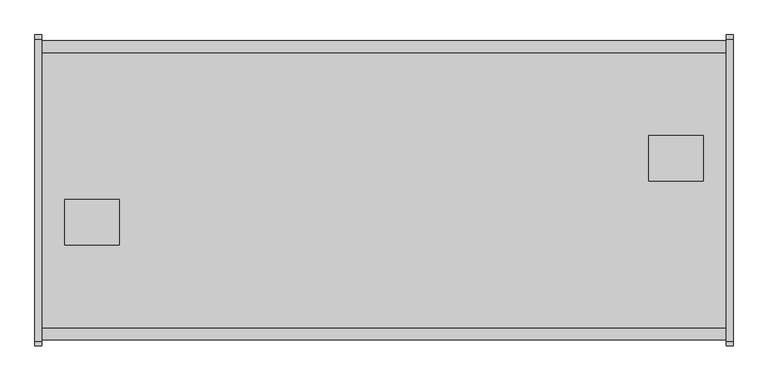
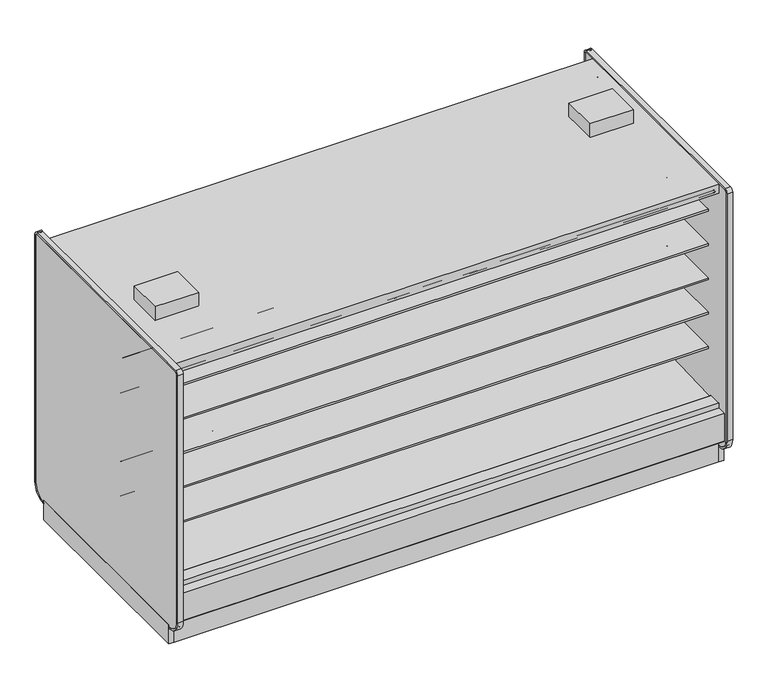
"""IFC4 building model written with IfcOpenShell, lengths in millimetres: proxy geometry."""

from ifc_helpers import new_model, si_unit, point, frame, frame_2d, origin, origin_with_axes, place, context, project, spatial, polyline, circle_curve, trimmed, segment, composite_curve, outline, extrude, source, transform, mapped, element, save
from ifc_brep_helpers import plane_surface, revolved_surface, advanced_brep


def mechanical_equipment_7f536a4f(model_context):
    return source(origin(), model_context, "Body", "SolidModel", [
        extrude(outline(polyline([(0.0, -55.2269619), (0.0, 0.0), (3810.0, 0.0), (3810.0, -55.2269619), (0.0, -55.2269619)])), frame((3810.0, 269.4010876, 1960.5227388), z_axis=(0.0, -0.08121412725315148, 0.9966966767951566), x_axis=(-1.0, 0.0, 0.0)), (0.0, 0.0, 1.0), 9.7968943),
        extrude(outline(polyline([(0.0, -55.226962), (0.0, 0.0), (3810.0, 0.0), (3810.0, -55.226962), (0.0, -55.226962)])), frame((3810.0, -1070.8468716, 1965.0079483), z_axis=(0.0, 0.08121412725315148, 0.9966966767951566), x_axis=(-1.0, 0.0, 0.0)), (0.0, 0.0, 1.0), 9.7968943),
        extrude(outline(polyline([(-1113.7914467, 0.0), (-1132.0256273, 0.0), (-1132.0256273, 208.2950835), (-1113.7914467, 192.9947894), (-1113.7914467, 0.0)])), frame((0.0, 0.0, 0.0), z_axis=(1.0, 0.0, 0.0), x_axis=(0.0, 1.0, 0.0)), (0.0, 0.0, 1.0), 3810.0),
        extrude(outline(polyline([(367.3901921, 0.0), (367.3901921, 192.9947894), (385.6243727, 208.2950835), (385.6243727, 0.0), (367.3901921, 0.0)])), frame((0.0, 0.0, 0.0), z_axis=(1.0, 0.0, 0.0), x_axis=(0.0, 1.0, 0.0)), (0.0, 0.0, 1.0), 3810.0),
        extrude(outline(composite_curve([segment(polyline([(-292.5492106, 1191.008004), (-292.5492106, 1291.8182795), (266.2507894, 1291.8182795), (266.2507894, 1278.3245295), (145.7947875, 1278.3245295), (145.7947875, 1274.0402031), (-193.6128858, 1241.429713)]), True, "CONTINUOUS"), segment(trimmed(circle_curve(frame_2d((-186.7598764, 1178.3005893)), 63.5), [point((-193.6128858, 1241.429713))], [point((-226.8243495, 1227.5660741))], True, "CARTESIAN"), True, "CONTINUOUS"), segment(polyline([(-226.8243495, 1227.5660741), (-265.0460501, 1196.4828055)]), True, "CONTINUOUS"), segment(trimmed(circle_curve(frame_2d((-280.9533727, 1215.8477147)), 25.0607786), [point((-265.0460501, 1196.4828055))], [point((-281.4413184, 1190.7916869))], False, "CARTESIAN"), True, "CONTINUOUS"), segment(polyline([(-281.4413184, 1190.7916869), (-292.5492106, 1191.008004)]), True, "CONTINUOUS")], self_intersect=False)), frame((0.0, 0.0, 0.0), z_axis=(1.0, 0.0, 0.0), x_axis=(0.0, 1.0, 0.0)), (0.0, 0.0, 1.0), 3810.0),
        extrude(outline(composite_curve([segment(polyline([(-292.5492106, 1699.008004), (-292.5492106, 1799.8182795), (266.2507894, 1799.8182795), (266.2507894, 1786.3245295), (145.7947875, 1786.3245295), (145.7947875, 1782.0402031), (-193.6128858, 1749.429713)]), True, "CONTINUOUS"), segment(trimmed(circle_curve(frame_2d((-186.7598764, 1686.3005893)), 63.5), [point((-193.6128858, 1749.429713))], [point((-226.8243495, 1735.5660741))], True, "CARTESIAN"), True, "CONTINUOUS"), segment(polyline([(-226.8243495, 1735.5660741), (-265.0460501, 1704.4828055)]), True, "CONTINUOUS"), segment(trimmed(circle_curve(frame_2d((-280.9533727, 1723.8477147)), 25.0607786), [point((-265.0460501, 1704.4828055))], [point((-281.4413184, 1698.7916869))], False, "CARTESIAN"), True, "CONTINUOUS"), segment(polyline([(-281.4413184, 1698.7916869), (-292.5492106, 1699.008004)]), True, "CONTINUOUS")], self_intersect=False)), frame((0.0, 0.0, 0.0), z_axis=(1.0, 0.0, 0.0), x_axis=(0.0, 1.0, 0.0)), (0.0, 0.0, 1.0), 3810.0),
        extrude(outline(composite_curve([segment(polyline([(-292.5492106, 937.4028663), (-292.5492106, 1038.2131418), (266.2507894, 1038.2131418), (266.2507894, 1024.7193918), (145.7947875, 1024.7193918), (145.7947875, 1020.4350654), (-193.6128858, 987.8245753)]), True, "CONTINUOUS"), segment(trimmed(circle_curve(frame_2d((-186.7598764, 924.6954515)), 63.5), [point((-193.6128858, 987.8245753))], [point((-226.8243495, 973.9609363))], True, "CARTESIAN"), True, "CONTINUOUS"), segment(polyline([(-226.8243495, 973.9609363), (-265.0460501, 942.8776678)]), True, "CONTINUOUS"), segment(trimmed(circle_curve(frame_2d((-280.9533727, 962.242577)), 25.0607786), [point((-265.0460501, 942.8776678))], [point((-281.4413184, 937.1865491))], False, "CARTESIAN"), True, "CONTINUOUS"), segment(polyline([(-281.4413184, 937.1865491), (-292.5492106, 937.4028663)]), True, "CONTINUOUS")], self_intersect=False)), frame((0.0, 0.0, 0.0), z_axis=(1.0, 0.0, 0.0), x_axis=(0.0, 1.0, 0.0)), (0.0, 0.0, 1.0), 3810.0),
        extrude(outline(composite_curve([segment(polyline([(-292.5492106, 1445.008004), (-292.5492106, 1545.8182795), (266.2507894, 1545.8182795), (266.2507894, 1532.3245295), (145.7947875, 1532.3245295), (145.7947875, 1528.0402031), (-193.6128858, 1495.429713)]), True, "CONTINUOUS"), segment(trimmed(circle_curve(frame_2d((-186.7598764, 1432.3005893)), 63.5), [point((-193.6128858, 1495.429713))], [point((-226.8243495, 1481.5660741))], True, "CARTESIAN"), True, "CONTINUOUS"), segment(polyline([(-226.8243495, 1481.5660741), (-265.0460501, 1450.4828055)]), True, "CONTINUOUS"), segment(trimmed(circle_curve(frame_2d((-280.9533727, 1469.8477147)), 25.0607786), [point((-265.0460501, 1450.4828055))], [point((-281.4413184, 1444.7916869))], False, "CARTESIAN"), True, "CONTINUOUS"), segment(polyline([(-281.4413184, 1444.7916869), (-292.5492106, 1445.008004)]), True, "CONTINUOUS")], self_intersect=False)), frame((0.0, 0.0, 0.0), z_axis=(1.0, 0.0, 0.0), x_axis=(0.0, 1.0, 0.0)), (0.0, 0.0, 1.0), 3810.0),
        extrude(outline(composite_curve([segment(polyline([(-292.5492106, 683.008004), (-292.5492106, 783.8182795), (266.2507894, 783.8182795), (266.2507894, 770.3245295), (145.7947875, 770.3245295), (145.7947875, 766.0402031), (-193.6128858, 733.429713)]), True, "CONTINUOUS"), segment(trimmed(circle_curve(frame_2d((-186.7598764, 670.3005893)), 63.5), [point((-193.6128858, 733.429713))], [point((-226.8243495, 719.5660741))], True, "CARTESIAN"), True, "CONTINUOUS"), segment(polyline([(-226.8243495, 719.5660741), (-265.0460501, 688.4828055)]), True, "CONTINUOUS"), segment(trimmed(circle_curve(frame_2d((-280.9533727, 707.8477147)), 25.0607786), [point((-265.0460501, 688.4828055))], [point((-281.4413184, 682.7916869))], False, "CARTESIAN"), True, "CONTINUOUS"), segment(polyline([(-281.4413184, 682.7916869), (-292.5492106, 683.008004)]), True, "CONTINUOUS")], self_intersect=False)), frame((0.0, 0.0, 0.0), z_axis=(1.0, 0.0, 0.0), x_axis=(0.0, 1.0, 0.0)), (0.0, 0.0, 1.0), 3810.0),
        extrude(outline(composite_curve([segment(polyline([(-453.852044, 1191.008004), (-464.9599362, 1190.7916869)]), True, "CONTINUOUS"), segment(trimmed(circle_curve(frame_2d((-465.4478819, 1215.8477147)), 25.0607786), [point((-464.9599362, 1190.7916869))], [point((-481.3552045, 1196.4828055))], False, "CARTESIAN"), True, "CONTINUOUS"), segment(polyline([(-481.3552045, 1196.4828055), (-519.5769051, 1227.5660741)]), True, "CONTINUOUS"), segment(trimmed(circle_curve(frame_2d((-559.6413782, 1178.3005893)), 63.5), [point((-519.5769051, 1227.5660741))], [point((-552.7883688, 1241.429713))], True, "CARTESIAN"), True, "CONTINUOUS"), segment(polyline([(-552.7883688, 1241.429713), (-892.1960421, 1274.0402031), (-892.1960421, 1278.3245295), (-1012.652044, 1278.3245295), (-1012.652044, 1291.8182795), (-453.852044, 1291.8182795), (-453.852044, 1191.008004)]), True, "CONTINUOUS")], self_intersect=False)), frame((0.0, 0.0, 0.0), z_axis=(1.0, 0.0, 0.0), x_axis=(0.0, 1.0, 0.0)), (0.0, 0.0, 1.0), 3810.0),
        extrude(outline(composite_curve([segment(polyline([(-453.852044, 1699.008004), (-464.9599362, 1698.7916869)]), True, "CONTINUOUS"), segment(trimmed(circle_curve(frame_2d((-465.4478819, 1723.8477147)), 25.0607786), [point((-464.9599362, 1698.7916869))], [point((-481.3552045, 1704.4828055))], False, "CARTESIAN"), True, "CONTINUOUS"), segment(polyline([(-481.3552045, 1704.4828055), (-519.5769051, 1735.5660741)]), True, "CONTINUOUS"), segment(trimmed(circle_curve(frame_2d((-559.6413782, 1686.3005893)), 63.5), [point((-519.5769051, 1735.5660741))], [point((-552.7883688, 1749.429713))], True, "CARTESIAN"), True, "CONTINUOUS"), segment(polyline([(-552.7883688, 1749.429713), (-892.1960421, 1782.0402031), (-892.1960421, 1786.3245295), (-1012.652044, 1786.3245295), (-1012.652044, 1799.8182795), (-453.852044, 1799.8182795), (-453.852044, 1699.008004)]), True, "CONTINUOUS")], self_intersect=False)), frame((0.0, 0.0, 0.0), z_axis=(1.0, 0.0, 0.0), x_axis=(0.0, 1.0, 0.0)), (0.0, 0.0, 1.0), 3810.0),
        extrude(outline(composite_curve([segment(polyline([(-453.852044, 937.4028663), (-464.9599362, 937.1865491)]), True, "CONTINUOUS"), segment(trimmed(circle_curve(frame_2d((-465.4478819, 962.242577)), 25.0607786), [point((-464.9599362, 937.1865491))], [point((-481.3552045, 942.8776678))], False, "CARTESIAN"), True, "CONTINUOUS"), segment(polyline([(-481.3552045, 942.8776678), (-519.5769051, 973.9609363)]), True, "CONTINUOUS"), segment(trimmed(circle_curve(frame_2d((-559.6413782, 924.6954515)), 63.5), [point((-519.5769051, 973.9609363))], [point((-552.7883688, 987.8245753))], True, "CARTESIAN"), True, "CONTINUOUS"), segment(polyline([(-552.7883688, 987.8245753), (-892.1960421, 1020.4350654), (-892.1960421, 1024.7193918), (-1012.652044, 1024.7193918), (-1012.652044, 1038.2131418), (-453.852044, 1038.2131418), (-453.852044, 937.4028663)]), True, "CONTINUOUS")], self_intersect=False)), frame((0.0, 0.0, 0.0), z_axis=(1.0, 0.0, 0.0), x_axis=(0.0, 1.0, 0.0)), (0.0, 0.0, 1.0), 3810.0),
        extrude(outline(composite_curve([segment(polyline([(-453.852044, 1445.008004), (-464.9599362, 1444.7916869)]), True, "CONTINUOUS"), segment(trimmed(circle_curve(frame_2d((-465.4478819, 1469.8477147)), 25.0607786), [point((-464.9599362, 1444.7916869))], [point((-481.3552045, 1450.4828055))], False, "CARTESIAN"), True, "CONTINUOUS"), segment(polyline([(-481.3552045, 1450.4828055), (-519.5769051, 1481.5660741)]), True, "CONTINUOUS"), segment(trimmed(circle_curve(frame_2d((-559.6413782, 1432.3005893)), 63.5), [point((-519.5769051, 1481.5660741))], [point((-552.7883688, 1495.429713))], True, "CARTESIAN"), True, "CONTINUOUS"), segment(polyline([(-552.7883688, 1495.429713), (-892.1960421, 1528.0402031), (-892.1960421, 1532.3245295), (-1012.652044, 1532.3245295), (-1012.652044, 1545.8182795), (-453.852044, 1545.8182795), (-453.852044, 1445.008004)]), True, "CONTINUOUS")], self_intersect=False)), frame((0.0, 0.0, 0.0), z_axis=(1.0, 0.0, 0.0), x_axis=(0.0, 1.0, 0.0)), (0.0, 0.0, 1.0), 3810.0),
        extrude(outline(polyline([(127.0, -678.0076294), (127.0, -424.0076294), (431.8, -424.0076294), (431.8, -678.0076294), (127.0, -678.0076294)])), frame((0.0, 0.0, 2064.6129579), z_axis=(0.0, 0.0, 1.0), x_axis=(1.0, 0.0, 0.0)), (0.0, 0.0, 1.0), 100.3101563),
        extrude(outline(polyline([(3683.0, -68.4076294), (3683.0, -322.4076294), (3378.2, -322.4076294), (3378.2, -68.4076294), (3683.0, -68.4076294)])), frame((0.0, 0.0, 2064.6129579), z_axis=(0.0, 0.0, 1.0), x_axis=(1.0, 0.0, 0.0)), (0.0, 0.0, 1.0), 100.3101563),
        extrude(outline(composite_curve([segment(polyline([(-113.5046773, 1969.4201079), (-292.5492106, 1969.4201079), (-292.5492106, 445.9092331), (-344.0537782, 445.9092331), (-344.0537782, 1994.8201079), (357.6691327, 1994.8201079), (357.6691327, 1988.6654182)]), True, "CONTINUOUS"), segment(trimmed(circle_curve(frame_2d((355.1291327, 1988.6654182)), 2.54), [point((357.6691327, 1988.6654182))], [point((355.1291327, 1986.1254182))], False, "CARTESIAN"), True, "CONTINUOUS"), segment(polyline([(355.1291327, 1986.1254182), (341.1591327, 1986.1254182)]), True, "CONTINUOUS"), segment(trimmed(circle_curve(frame_2d((341.1591327, 1983.5854182)), 2.54), [point((341.1591327, 1986.1254182))], [point((338.6191327, 1983.5854182))], True, "CARTESIAN"), True, "CONTINUOUS"), segment(polyline([(338.6191327, 1983.5854182), (338.6191327, 1967.9723079)]), True, "CONTINUOUS"), segment(trimmed(circle_curve(frame_2d((336.0791327, 1967.9723079)), 2.54), [point((338.6191327, 1967.9723079))], [point((336.0791327, 1965.4323079))], False, "CARTESIAN"), True, "CONTINUOUS"), segment(polyline([(336.0791327, 1965.4323079), (326.8589327, 1965.4323079)]), True, "CONTINUOUS"), segment(trimmed(circle_curve(frame_2d((326.8589327, 1967.9723079)), 2.54), [point((326.8589327, 1965.4323079))], [point((324.3189327, 1967.9723079))], False, "CARTESIAN"), True, "CONTINUOUS"), segment(polyline([(324.3189327, 1967.9723079), (324.3189327, 1975.6233702), (268.3517007, 1971.0629758), (268.3793925, 1969.4201079), (-113.5046773, 1969.4201079)]), True, "CONTINUOUS")], self_intersect=False)), frame((0.0, 0.0, 0.0), z_axis=(1.0, 0.0, 0.0), x_axis=(0.0, 1.0, 0.0)), (0.0, 0.0, 1.0), 3810.0),
        extrude(outline(composite_curve([segment(polyline([(-292.5492106, 445.9092331), (298.0007894, 423.8521774), (298.0007894, 439.1279)]), True, "CONTINUOUS"), segment(trimmed(circle_curve(frame_2d((300.0581894, 439.1279)), 2.0574), [point((298.0007894, 439.1279))], [point((300.0581894, 441.1853))], False, "CARTESIAN"), True, "CONTINUOUS"), segment(polyline([(300.0581894, 441.1853), (392.3576928, 441.1853), (392.3576928, 284.6079278), (278.9642261, 189.4595117), (263.4186894, 190.0023738), (218.0664947, 157.1934642), (153.5641842, 159.4459345), (113.4809582, 192.9404113), (-344.0537782, 220.4377575), (-344.0537782, 445.9092331), (-292.5492106, 445.9092331)]), True, "CONTINUOUS")], self_intersect=False)), frame((0.0, 0.0, 0.0), z_axis=(1.0, 0.0, 0.0), x_axis=(0.0, 1.0, 0.0)), (0.0, 0.0, 1.0), 3810.0),
        extrude(outline(composite_curve([segment(polyline([(-453.852044, 683.008004), (-464.9599362, 682.7916869)]), True, "CONTINUOUS"), segment(trimmed(circle_curve(frame_2d((-465.4478819, 707.8477147)), 25.0607786), [point((-464.9599362, 682.7916869))], [point((-481.3552045, 688.4828055))], False, "CARTESIAN"), True, "CONTINUOUS"), segment(polyline([(-481.3552045, 688.4828055), (-519.5769051, 719.5660741)]), True, "CONTINUOUS"), segment(trimmed(circle_curve(frame_2d((-559.6413782, 670.3005893)), 63.5), [point((-519.5769051, 719.5660741))], [point((-552.7883688, 733.429713))], True, "CARTESIAN"), True, "CONTINUOUS"), segment(polyline([(-552.7883688, 733.429713), (-892.1960421, 766.0402031), (-892.1960421, 770.3245295), (-1012.652044, 770.3245295), (-1012.652044, 783.8182795), (-453.852044, 783.8182795), (-453.852044, 683.008004)]), True, "CONTINUOUS")], self_intersect=False)), frame((0.0, 0.0, 0.0), z_axis=(1.0, 0.0, 0.0), x_axis=(0.0, 1.0, 0.0)), (0.0, 0.0, 1.0), 3810.0),
        extrude(outline(composite_curve([segment(trimmed(circle_curve(frame_2d((-1200.2881273, 201.3982889)), 6.35), [point((-1197.1139382, 195.8985595))], [point((-1206.6381273, 201.3982889))], False, "CARTESIAN"), True, "CONTINUOUS"), segment(polyline([(-1206.6381273, 201.3982889), (-1206.6381273, 404.6728), (-1138.7589474, 404.6728), (-1138.7589474, 391.9982), (-1189.8487273, 391.9982), (-1189.8487273, 256.8144254), (-1149.7974725, 223.2074323), (-1197.1139382, 195.8985595)]), True, "CONTINUOUS")], self_intersect=False)), frame((0.0, 0.0, 0.0), z_axis=(1.0, 0.0, 0.0), x_axis=(0.0, 1.0, 0.0)), (0.0, 0.0, 1.0), 3810.0),
        extrude(outline(composite_curve([segment(polyline([(450.7126836, 195.8985595), (403.3962179, 223.2074323), (443.4474727, 256.8144254), (443.4474727, 391.9982), (392.3576928, 391.9982), (392.3576928, 404.6728), (460.2368727, 404.6728), (460.2368727, 201.3982889)]), True, "CONTINUOUS"), segment(trimmed(circle_curve(frame_2d((453.8868727, 201.3982889)), 6.35), [point((460.2368727, 201.3982889))], [point((450.7126836, 195.8985595))], False, "CARTESIAN"), True, "CONTINUOUS")], self_intersect=False)), frame((0.0, 0.0, 0.0), z_axis=(1.0, 0.0, 0.0), x_axis=(0.0, 1.0, 0.0)), (0.0, 0.0, 1.0), 3810.0),
        extrude(outline(polyline([(-1039.3495247, 130.5306), (-1189.8487273, 256.8144254), (-1189.8487273, 391.9982), (-1138.7589474, 391.9982), (-1138.7589474, 284.6079278), (-1025.3654807, 189.4595117), (-1009.819944, 190.0023738), (-964.4677493, 157.1934642), (-899.9654388, 159.4459345), (-859.8822128, 192.9404113), (-402.3474764, 220.4377575), (-402.3474764, 1994.8201079), (-1138.7589474, 1994.8201079), (-1138.7589474, 2063.8192079), (392.3576928, 2063.8192079), (392.3576928, 1994.8201079), (-344.0537782, 1994.8201079), (-344.0537782, 220.4377575), (113.4809582, 192.9404113), (153.5641842, 159.4459345), (218.0664947, 157.1934642), (263.4186894, 190.0023738), (278.9642261, 189.4595117), (392.3576928, 284.6079278), (392.3576928, 391.9982), (443.4474727, 391.9982), (443.4474727, 256.8144254), (292.9482701, 130.5306), (-1039.3495247, 130.5306)])), frame((0.0, 0.0, 0.0), z_axis=(1.0, 0.0, 0.0), x_axis=(0.0, 1.0, 0.0)), (0.0, 0.0, 1.0), 3810.0),
        extrude(outline(composite_curve([segment(polyline([(-632.8965773, 1969.4201079), (-1014.7806471, 1969.4201079), (-1014.7529553, 1971.0629758), (-1070.7201873, 1975.6233702), (-1070.7201873, 1967.9723079)]), True, "CONTINUOUS"), segment(trimmed(circle_curve(frame_2d((-1073.2601873, 1967.9723079)), 2.54), [point((-1070.7201873, 1967.9723079))], [point((-1073.2601873, 1965.4323079))], False, "CARTESIAN"), True, "CONTINUOUS"), segment(polyline([(-1073.2601873, 1965.4323079), (-1082.4803873, 1965.4323079)]), True, "CONTINUOUS"), segment(trimmed(circle_curve(frame_2d((-1082.4803873, 1967.9723079)), 2.54), [point((-1082.4803873, 1965.4323079))], [point((-1085.0203873, 1967.9723079))], False, "CARTESIAN"), True, "CONTINUOUS"), segment(polyline([(-1085.0203873, 1967.9723079), (-1085.0203873, 1983.3544856)]), True, "CONTINUOUS"), segment(trimmed(circle_curve(frame_2d((-1087.5603873, 1983.3544856)), 2.54), [point((-1085.0203873, 1983.3544856))], [point((-1087.5603873, 1985.8944856))], True, "CARTESIAN"), True, "CONTINUOUS"), segment(polyline([(-1087.5603873, 1985.8944856), (-1101.5303873, 1985.8944856)]), True, "CONTINUOUS"), segment(trimmed(circle_curve(frame_2d((-1101.5303873, 1988.4344856)), 2.54), [point((-1101.5303873, 1985.8944856))], [point((-1104.0703873, 1988.4344856))], False, "CARTESIAN"), True, "CONTINUOUS"), segment(polyline([(-1104.0703873, 1988.4344856), (-1104.0703873, 1994.8201079), (-402.3474764, 1994.8201079), (-402.3474764, 445.9092331), (-453.852044, 445.9092331), (-453.852044, 1969.4201079), (-632.8965773, 1969.4201079)]), True, "CONTINUOUS")], self_intersect=False)), frame((0.0, 0.0, 0.0), z_axis=(1.0, 0.0, 0.0), x_axis=(0.0, 1.0, 0.0)), (0.0, 0.0, 1.0), 3810.0),
        advanced_brep(
        [(3810.0, -1113.7914467, 192.9947894), (3810.0, -1113.7914467, 0.0), (3810.0, -967.2684832, 0.0), (3810.0, -967.2684832, 130.5306), (3810.0, -1039.3495247, 130.5306), (0.0, -1113.7914467, 192.9947894), (0.0, -1039.3495247, 130.5306), (0.0, -967.2684832, 130.5306), (0.0, -967.2684832, 0.0), (0.0, -1113.7914467, 0.0), (245.6409893, -1113.7914467, 0.0), (245.6409893, -1113.7914467, 50.8), (466.3154811, -1113.7914467, 50.8), (466.3154811, -1113.7914467, 0.0), (466.3154811, -1038.8597182, 0.0), (245.6409893, -1038.8597182, 0.0), (1864.6679654, -967.2684832, 0.0), (1945.3320346, -967.2684832, 0.0), (3546.7614416, -967.2684832, 0.0), (3631.9135584, -967.2684832, 0.0), (3631.9135584, -967.2684832, 127.0), (3546.7614416, -967.2684832, 127.0), (1945.3320346, -967.2684832, 127.0), (1864.6679654, -967.2684832, 127.0), (466.3154811, -1038.8597182, 50.8), (245.6409893, -1038.8597182, 50.8)],
        [
            (0, 1),
            (1, 2),
            (2, 3),
            (3, 4),
            (4, 0),
            (5, 6),
            (6, 7),
            (7, 8),
            (8, 9),
            (9, 5),
            (0, 5),
            (9, 10),
            (10, 11),
            (11, 12),
            (12, 13),
            (13, 1),
            (13, 14),
            (14, 15),
            (15, 10),
            (8, 16),
            (16, 17, circle_curve(frame((1905.0, -936.3821273, 0.0), z_axis=(0.0, 0.0, 1.0), x_axis=(1.0, 0.0, 0.0)), 50.8)),
            (17, 18),
            (18, 19, circle_curve(frame((3589.3375, -939.5571273, 0.0), z_axis=(0.0, 0.0, 1.0), x_axis=(1.0, 0.0, 0.0)), 50.8)),
            (19, 2),
            (19, 20),
            (20, 21),
            (21, 18),
            (17, 22),
            (22, 23),
            (23, 16),
            (7, 3),
            (6, 4),
            (12, 24),
            (24, 14),
            (15, 25),
            (25, 11),
            (24, 25),
            (22, 23, circle_curve(frame((1905.0, -936.3821273, 127.0), z_axis=(0.0, 0.0, -1.0), x_axis=(1.0, 0.0, 0.0)), 50.8)),
            (20, 21, circle_curve(frame((3589.3375, -939.5571273, 127.0), z_axis=(0.0, 0.0, -1.0), x_axis=(1.0, 0.0, 0.0)), 50.8)),
        ],
        [
            plane_surface(frame((3810.0, -1113.7914467, 0.0), z_axis=(1.0, 0.0, 0.0), x_axis=(0.0, 0.0, -1.0))),
            plane_surface(frame((0.0, -1113.7914467, 0.0), z_axis=(-1.0, 0.0, 0.0), x_axis=(0.0, 0.0, 1.0))),
            plane_surface(frame((3810.0, -1113.7914467, 192.9947894), z_axis=(0.0, -1.0, 0.0), x_axis=(-1.0, 0.0, 0.0))),
            plane_surface(frame((3810.0, -1113.7914467, 0.0), z_axis=(0.0, 0.0, -1.0), x_axis=(-1.0, 0.0, 0.0))),
            plane_surface(frame((3810.0, -967.2684832, 0.0), z_axis=(0.0, 1.0, 0.0), x_axis=(-1.0, 0.0, 0.0))),
            plane_surface(frame((3810.0, -967.2684832, 130.5306), z_axis=(0.0, 0.0, 1.0), x_axis=(-1.0, 0.0, 0.0))),
            plane_surface(frame((3810.0, -1039.3495247, 130.5306), z_axis=(0.0, 0.6427876096877102, 0.7660444431179956), x_axis=(-1.0, 0.0, 0.0))),
            plane_surface(frame((466.3154811, -1038.8597182, 0.0), z_axis=(-1.0, 0.0, 0.0), x_axis=(0.0, 1.0, 0.0))),
            plane_surface(frame((245.6409893, -1038.8597182, 0.0), z_axis=(1.0, 0.0, 0.0), x_axis=(0.0, -1.0, 0.0))),
            plane_surface(frame((466.3154811, -1038.8597182, 0.0), z_axis=(0.0, -1.0, 0.0), x_axis=(-1.0, 0.0, 0.0))),
            plane_surface(frame((466.3154811, -1038.8597182, 50.8), z_axis=(0.0, 0.0, -1.0), x_axis=(-1.0, 0.0, 0.0))),
            plane_surface(frame((1955.8, -936.3821273, 127.0), z_axis=(0.0, 0.0, -1.0), x_axis=(0.0, 1.0, 0.0))),
            revolved_surface(polyline([(1955.8, -936.3821273, 127.0), (1955.8, -936.3821273, 0.0)]), (1905.0, -936.3821273, 0.0), (0.0, 0.0, 1.0)),
            plane_surface(frame((3640.1375, -939.5571273, 127.0), z_axis=(0.0, 0.0, -1.0), x_axis=(0.0, 1.0, 0.0))),
            revolved_surface(polyline([(3640.1375000000003, -939.5571273, 127.0), (3640.1375000000003, -939.5571273, 0.0)]), (3589.3375, -939.5571273, 0.0), (0.0, 0.0, 1.0)),
        ],
        [
            (0, [[1, 2, 3, 4, 5]]),
            (1, [[6, 7, 8, 9, 10]]),
            (2, [[-1, 11, -10, 12, 13, 14, 15, 16]]),
            (3, [[-2, -16, 17, 18, 19, -12, -9, 20, 21, 22, 23, 24]]),
            (4, [[-3, -24, 25, 26, 27, -22, 28, 29, 30, -20, -8, 31]]),
            (5, [[-4, -31, -7, 32]]),
            (6, [[-5, -32, -6, -11]]),
            (7, [[33, 34, -17, -15]]),
            (8, [[35, 36, -13, -19]]),
            (9, [[-34, 37, -35, -18]]),
            (10, [[-33, -14, -36, -37]]),
            (11, [[38, -29]]),
            (12, [[-38, -28, -21, -30]]),
            (13, [[39, -26]]),
            (14, [[-39, -25, -23, -27]]),
        ],
    ),
        advanced_brep(
        [(3810.0, 367.3901921, 192.9947894), (3810.0, 292.9482701, 130.5306), (3810.0, 220.8672286, 130.5306), (3810.0, 220.8672286, 0.0), (3810.0, 367.3901921, 0.0), (0.0, 367.3901921, 192.9947894), (0.0, 367.3901921, 0.0), (0.0, 220.8672286, 0.0), (0.0, 220.8672286, 130.5306), (0.0, 292.9482701, 130.5306), (2421.3590107, 367.3901921, 50.8), (2421.3590107, 292.4584636, 50.8), (2200.6845189, 292.4584636, 50.8), (2200.6845189, 367.3901921, 50.8), (2200.6845189, 292.4584636, 0.0), (2200.6845189, 367.3901921, 0.0), (2421.3590107, 292.4584636, 0.0), (2421.3590107, 367.3901921, 0.0), (178.0864416, 220.8672286, 127.0), (263.2385584, 220.8672286, 127.0), (178.0864416, 220.8672286, 0.0), (263.2385584, 220.8672286, 0.0), (1864.6679654, 220.8672286, 127.0), (1945.3320346, 220.8672286, 127.0), (1864.6679654, 220.8672286, 0.0), (1945.3320346, 220.8672286, 0.0)],
        [
            (0, 1),
            (1, 2),
            (2, 3),
            (3, 4),
            (4, 0),
            (5, 6),
            (6, 7),
            (7, 8),
            (8, 9),
            (9, 5),
            (10, 11),
            (11, 12),
            (12, 13),
            (13, 10),
            (12, 14),
            (14, 15),
            (15, 13),
            (11, 16),
            (16, 14),
            (10, 17),
            (17, 16),
            (18, 19, circle_curve(frame((220.6625, 193.1558727, 127.0), z_axis=(0.0, 0.0, -1.0), x_axis=(-1.0, 0.0, 0.0)), 50.8)),
            (19, 18),
            (18, 20),
            (20, 21, circle_curve(frame((220.6625, 193.1558727, 0.0), z_axis=(0.0, 0.0, -1.0), x_axis=(-1.0, 0.0, 0.0)), 50.8)),
            (21, 19),
            (22, 23, circle_curve(frame((1905.0, 189.9808727, 127.0), z_axis=(0.0, 0.0, -1.0), x_axis=(1.0, 0.0, 0.0)), 50.8)),
            (23, 22),
            (22, 24),
            (24, 25, circle_curve(frame((1905.0, 189.9808727, 0.0), z_axis=(0.0, 0.0, -1.0), x_axis=(1.0, 0.0, 0.0)), 50.8)),
            (25, 23),
            (0, 5),
            (9, 1),
            (8, 2),
            (7, 20),
            (21, 24),
            (25, 3),
            (6, 15),
            (17, 4),
        ],
        [
            plane_surface(frame((3810.0, -1113.7914467, 0.0), z_axis=(1.0, 0.0, 0.0), x_axis=(0.0, 0.0, -1.0))),
            plane_surface(frame((0.0, -1113.7914467, 0.0), z_axis=(-1.0, 0.0, 0.0), x_axis=(0.0, 0.0, 1.0))),
            plane_surface(frame((2200.6845189, 367.3901921, 50.8), z_axis=(0.0, 0.0, -1.0), x_axis=(0.0, -1.0, 0.0))),
            plane_surface(frame((2200.6845189, 367.3901921, 50.8), z_axis=(1.0, 0.0, 0.0), x_axis=(0.0, 0.0, -1.0))),
            plane_surface(frame((2200.6845189, 292.4584636, 50.8), z_axis=(0.0, 1.0, 0.0), x_axis=(0.0, 0.0, -1.0))),
            plane_surface(frame((2421.3590107, 292.4584636, 50.8), z_axis=(-1.0, 0.0, 0.0), x_axis=(0.0, 0.0, -1.0))),
            plane_surface(frame((169.8625, 193.1558727, 127.0), z_axis=(0.0, 0.0, -1.0), x_axis=(0.0, -1.0, 0.0))),
            revolved_surface(polyline([(169.8625, 193.1558727, 127.0), (169.8625, 193.1558727, 0.0)]), (220.6625, 193.1558727, 0.0), (0.0, 0.0, 1.0)),
            plane_surface(frame((1955.8, 189.9808727, 127.0), z_axis=(0.0, 0.0, -1.0), x_axis=(0.0, 1.0, 0.0))),
            revolved_surface(polyline([(1955.8, 189.9808727, 127.0), (1955.8, 189.9808727, 0.0)]), (1905.0, 189.9808727, 0.0), (0.0, 0.0, 1.0)),
            plane_surface(frame((3810.0, 367.3901921, 192.9947894), z_axis=(0.0, -0.6427876096877103, 0.7660444431179955), x_axis=(-1.0, 0.0, 0.0))),
            plane_surface(frame((3810.0, 292.9482701, 130.5306), z_axis=(0.0, 0.0, 1.0), x_axis=(-1.0, 0.0, 0.0))),
            plane_surface(frame((3810.0, 220.8672286, 130.5306), z_axis=(0.0, -1.0, 0.0), x_axis=(-1.0, 0.0, 0.0))),
            plane_surface(frame((3810.0, 220.8672286, 0.0), z_axis=(0.0, 0.0, -1.0), x_axis=(-1.0, 0.0, 0.0))),
            plane_surface(frame((3810.0, 367.3901921, 0.0), z_axis=(0.0, 1.0, 0.0), x_axis=(-1.0, 0.0, 0.0))),
        ],
        [
            (0, [[1, 2, 3, 4, 5]]),
            (1, [[6, 7, 8, 9, 10]]),
            (2, [[11, 12, 13, 14]]),
            (3, [[-13, 15, 16, 17]]),
            (4, [[-12, 18, 19, -15]]),
            (5, [[-11, 20, 21, -18]]),
            (6, [[22, 23]]),
            (7, [[-22, 24, 25, 26]]),
            (8, [[27, 28]]),
            (9, [[-27, 29, 30, 31]]),
            (10, [[-1, 32, -10, 33]]),
            (11, [[-2, -33, -9, 34]]),
            (12, [[-3, -34, -8, 35, -24, -23, -26, 36, -29, -28, -31, 37]]),
            (13, [[-4, -37, -30, -36, -25, -35, -7, 38, -16, -19, -21, 39]]),
            (14, [[-5, -39, -20, -14, -17, -38, -6, -32]]),
        ],
    ),
        advanced_brep(
        [(3810.0, -967.2684832, 0.0), (3810.0, -921.3326273, 0.0), (3810.0, -921.3326273, 74.8810382), (3810.0, 174.9313727, 74.8810382), (3810.0, 174.9313727, 0.0), (3810.0, 220.8672286, 0.0), (3810.0, 220.8672286, 130.5306), (3810.0, -967.2684832, 130.5306), (0.0, -967.2684832, 0.0), (0.0, -967.2684832, 130.5306), (0.0, 220.8672286, 130.5306), (0.0, 220.8672286, 0.0), (0.0, 174.9313727, 0.0), (0.0, 174.9313727, 74.8810382), (0.0, -921.3326273, 74.8810382), (0.0, -921.3326273, 0.0), (1864.6679654, -967.2684832, 0.0), (1864.6679654, -967.2684832, 127.0), (1945.3320346, -967.2684832, 127.0), (1945.3320346, -967.2684832, 0.0), (3546.7614416, -967.2684832, 0.0), (3546.7614416, -967.2684832, 127.0), (3631.9135584, -967.2684832, 127.0), (3631.9135584, -967.2684832, 0.0), (3640.1375, -939.5571273, 0.0), (3636.755931, -921.3326273, 0.0), (1856.48039, -921.3326273, 0.0), (1854.2, -936.3821273, 0.0), (1955.8, -936.3821273, 0.0), (1953.51961, -921.3326273, 0.0), (3541.919069, -921.3326273, 0.0), (3538.5375, -939.5571273, 0.0), (3636.755931, -921.3326273, 74.8810382), (1856.48039, -921.3326273, 74.8810382), (1953.51961, -921.3326273, 74.8810382), (3541.919069, -921.3326273, 74.8810382), (173.244069, 174.9313727, 74.8810382), (268.080931, 174.9313727, 74.8810382), (1856.48039, 174.9313727, 74.8810382), (1953.51961, 174.9313727, 74.8810382), (1854.2, -936.3821273, 127.0), (1955.8, -936.3821273, 127.0), (3538.5375, -939.5571273, 127.0), (3640.1375, -939.5571273, 127.0), (1953.51961, 174.9313727, 0.0), (173.244069, 174.9313727, 0.0), (268.080931, 174.9313727, 0.0), (1856.48039, 174.9313727, 0.0), (1955.8, 189.9808727, 0.0), (1945.3320346, 220.8672286, 0.0), (178.0864416, 220.8672286, 0.0), (169.8625, 193.1558727, 0.0), (271.4625, 193.1558727, 0.0), (263.2385584, 220.8672286, 0.0), (1864.6679654, 220.8672286, 0.0), (1854.2, 189.9808727, 0.0), (1945.3320346, 220.8672286, 127.0), (1864.6679654, 220.8672286, 127.0), (263.2385584, 220.8672286, 127.0), (178.0864416, 220.8672286, 127.0), (271.4625, 193.1558727, 127.0), (169.8625, 193.1558727, 127.0), (1955.8, 189.9808727, 127.0), (1854.2, 189.9808727, 127.0)],
        [
            (0, 1),
            (1, 2),
            (2, 3),
            (3, 4),
            (4, 5),
            (5, 6),
            (6, 7),
            (7, 0),
            (8, 9),
            (9, 10),
            (10, 11),
            (11, 12),
            (12, 13),
            (13, 14),
            (14, 15),
            (15, 8),
            (6, 10),
            (9, 7),
            (8, 16),
            (16, 17),
            (17, 18),
            (18, 19),
            (19, 20),
            (20, 21),
            (21, 22),
            (22, 23),
            (23, 0),
            (23, 24, circle_curve(frame((3589.3375, -939.5571273, 0.0), z_axis=(0.0, 0.0, 1.0), x_axis=(1.0, 0.0, 0.0)), 50.8)),
            (24, 25, circle_curve(frame((3589.3375, -939.5571273, 0.0), z_axis=(0.0, 0.0, 1.0), x_axis=(1.0, 0.0, 0.0)), 50.8)),
            (25, 1),
            (15, 26),
            (26, 27, circle_curve(frame((1905.0, -936.3821273, 0.0), z_axis=(0.0, 0.0, 1.0), x_axis=(1.0, 0.0, 0.0)), 50.8)),
            (27, 16, circle_curve(frame((1905.0, -936.3821273, 0.0), z_axis=(0.0, 0.0, 1.0), x_axis=(1.0, 0.0, 0.0)), 50.8)),
            (19, 28, circle_curve(frame((1905.0, -936.3821273, 0.0), z_axis=(0.0, 0.0, 1.0), x_axis=(1.0, 0.0, 0.0)), 50.8)),
            (28, 29, circle_curve(frame((1905.0, -936.3821273, 0.0), z_axis=(0.0, 0.0, 1.0), x_axis=(1.0, 0.0, 0.0)), 50.8)),
            (29, 30),
            (30, 31, circle_curve(frame((3589.3375, -939.5571273, 0.0), z_axis=(0.0, 0.0, 1.0), x_axis=(1.0, 0.0, 0.0)), 50.8)),
            (31, 20, circle_curve(frame((3589.3375, -939.5571273, 0.0), z_axis=(0.0, 0.0, 1.0), x_axis=(1.0, 0.0, 0.0)), 50.8)),
            (25, 32),
            (32, 2),
            (14, 33),
            (33, 26),
            (29, 34),
            (34, 35),
            (35, 30),
            (32, 35, circle_curve(frame((3589.3375, -939.5571273, 74.8810382), z_axis=(0.0, 0.0, 1.0), x_axis=(1.0, 0.0, 0.0)), 50.8)),
            (34, 33, circle_curve(frame((1905.0, -936.3821273, 74.8810382), z_axis=(0.0, 0.0, 1.0), x_axis=(1.0, 0.0, 0.0)), 50.8)),
            (13, 36),
            (36, 37, circle_curve(frame((220.6625, 193.1558727, 74.8810382), z_axis=(0.0, 0.0, 1.0), x_axis=(-1.0, 0.0, 0.0)), 50.8)),
            (37, 38),
            (38, 39, circle_curve(frame((1905.0, 189.9808727, 74.8810382), z_axis=(0.0, 0.0, 1.0), x_axis=(1.0, 0.0, 0.0)), 50.8)),
            (39, 3),
            (40, 41, circle_curve(frame((1905.0, -936.3821273, 127.0), z_axis=(0.0, 0.0, -1.0), x_axis=(1.0, 0.0, 0.0)), 50.8)),
            (41, 18, circle_curve(frame((1905.0, -936.3821273, 127.0), z_axis=(0.0, 0.0, -1.0), x_axis=(1.0, 0.0, 0.0)), 50.8)),
            (17, 40, circle_curve(frame((1905.0, -936.3821273, 127.0), z_axis=(0.0, 0.0, -1.0), x_axis=(1.0, 0.0, 0.0)), 50.8)),
            (41, 28),
            (27, 40),
            (42, 43, circle_curve(frame((3589.3375, -939.5571273, 127.0), z_axis=(0.0, 0.0, -1.0), x_axis=(1.0, 0.0, 0.0)), 50.8)),
            (43, 22, circle_curve(frame((3589.3375, -939.5571273, 127.0), z_axis=(0.0, 0.0, -1.0), x_axis=(1.0, 0.0, 0.0)), 50.8)),
            (21, 42, circle_curve(frame((3589.3375, -939.5571273, 127.0), z_axis=(0.0, 0.0, -1.0), x_axis=(1.0, 0.0, 0.0)), 50.8)),
            (43, 24),
            (31, 42),
            (39, 44),
            (44, 4),
            (12, 45),
            (45, 36),
            (37, 46),
            (46, 47),
            (47, 38),
            (44, 48, circle_curve(frame((1905.0, 189.9808727, 0.0), z_axis=(0.0, 0.0, 1.0), x_axis=(1.0, 0.0, 0.0)), 50.8)),
            (48, 49, circle_curve(frame((1905.0, 189.9808727, 0.0), z_axis=(0.0, 0.0, 1.0), x_axis=(1.0, 0.0, 0.0)), 50.8)),
            (49, 5),
            (11, 50),
            (50, 51, circle_curve(frame((220.6625, 193.1558727, 0.0), z_axis=(0.0, 0.0, 1.0), x_axis=(-1.0, 0.0, 0.0)), 50.8)),
            (51, 45, circle_curve(frame((220.6625, 193.1558727, 0.0), z_axis=(0.0, 0.0, 1.0), x_axis=(-1.0, 0.0, 0.0)), 50.8)),
            (52, 53, circle_curve(frame((220.6625, 193.1558727, 0.0), z_axis=(0.0, 0.0, 1.0), x_axis=(-1.0, 0.0, 0.0)), 50.8)),
            (53, 54),
            (54, 55, circle_curve(frame((1905.0, 189.9808727, 0.0), z_axis=(0.0, 0.0, 1.0), x_axis=(1.0, 0.0, 0.0)), 50.8)),
            (55, 47, circle_curve(frame((1905.0, 189.9808727, 0.0), z_axis=(0.0, 0.0, 1.0), x_axis=(1.0, 0.0, 0.0)), 50.8)),
            (46, 52, circle_curve(frame((220.6625, 193.1558727, 0.0), z_axis=(0.0, 0.0, 1.0), x_axis=(-1.0, 0.0, 0.0)), 50.8)),
            (49, 56),
            (56, 57),
            (57, 54),
            (53, 58),
            (58, 59),
            (59, 50),
            (60, 61, circle_curve(frame((220.6625, 193.1558727, 127.0), z_axis=(0.0, 0.0, -1.0), x_axis=(-1.0, 0.0, 0.0)), 50.8)),
            (61, 59, circle_curve(frame((220.6625, 193.1558727, 127.0), z_axis=(0.0, 0.0, -1.0), x_axis=(-1.0, 0.0, 0.0)), 50.8)),
            (58, 60, circle_curve(frame((220.6625, 193.1558727, 127.0), z_axis=(0.0, 0.0, -1.0), x_axis=(-1.0, 0.0, 0.0)), 50.8)),
            (52, 60),
            (61, 51),
            (62, 63, circle_curve(frame((1905.0, 189.9808727, 127.0), z_axis=(0.0, 0.0, -1.0), x_axis=(1.0, 0.0, 0.0)), 50.8)),
            (63, 57, circle_curve(frame((1905.0, 189.9808727, 127.0), z_axis=(0.0, 0.0, -1.0), x_axis=(1.0, 0.0, 0.0)), 50.8)),
            (56, 62, circle_curve(frame((1905.0, 189.9808727, 127.0), z_axis=(0.0, 0.0, -1.0), x_axis=(1.0, 0.0, 0.0)), 50.8)),
            (48, 62),
            (63, 55),
        ],
        [
            plane_surface(frame((3810.0, -921.3326273, 0.0), z_axis=(1.0, 0.0, 0.0), x_axis=(0.0, 1.0, 0.0))),
            plane_surface(frame((0.0, -921.3326273, 0.0), z_axis=(-1.0, 0.0, 0.0), x_axis=(0.0, -1.0, 0.0))),
            plane_surface(frame((3810.0, 220.8672286, 130.5306), z_axis=(0.0, 0.0, 1.0), x_axis=(-1.0, 0.0, 0.0))),
            plane_surface(frame((3810.0, -967.2684832, 130.5306), z_axis=(0.0, -1.0, 0.0), x_axis=(-1.0, 0.0, 0.0))),
            plane_surface(frame((3810.0, -967.2684832, 0.0), z_axis=(0.0, 0.0, -1.0), x_axis=(-1.0, 0.0, 0.0))),
            plane_surface(frame((3810.0, -921.3326273, 0.0), z_axis=(0.0, 1.0, 0.0), x_axis=(-1.0, 0.0, 0.0))),
            plane_surface(frame((3810.0, -921.3326273, 74.8810382), z_axis=(0.0, 0.0, -1.0), x_axis=(-1.0, 0.0, 0.0))),
            plane_surface(frame((1955.8, -936.3821273, 127.0), z_axis=(0.0, 0.0, -1.0), x_axis=(0.0, 1.0, 0.0))),
            revolved_surface(polyline([(1955.8, -936.3821273, 127.0), (1955.8, -936.3821273, 0.0)]), (1905.0, -936.3821273, 0.0), (0.0, 0.0, 1.0)),
            plane_surface(frame((3640.1375, -939.5571273, 127.0), z_axis=(0.0, 0.0, -1.0), x_axis=(0.0, 1.0, 0.0))),
            revolved_surface(polyline([(3640.1375000000003, -939.5571273, 127.0), (3640.1375000000003, -939.5571273, 0.0)]), (3589.3375, -939.5571273, 0.0), (0.0, 0.0, 1.0)),
            plane_surface(frame((3810.0, 174.9313727, 74.8810382), z_axis=(0.0, -1.0, 0.0), x_axis=(-1.0, 0.0, 0.0))),
            plane_surface(frame((3810.0, 174.9313727, 0.0), z_axis=(0.0, 0.0, -1.0), x_axis=(-1.0, 0.0, 0.0))),
            plane_surface(frame((3810.0, 220.8672286, 0.0), z_axis=(0.0, 1.0, 0.0), x_axis=(-1.0, 0.0, 0.0))),
            plane_surface(frame((169.8625, 193.1558727, 127.0), z_axis=(0.0, 0.0, -1.0), x_axis=(0.0, -1.0, 0.0))),
            revolved_surface(polyline([(169.8625, 193.1558727, 127.0), (169.8625, 193.1558727, 0.0)]), (220.6625, 193.1558727, 0.0), (0.0, 0.0, 1.0)),
            plane_surface(frame((1955.8, 189.9808727, 127.0), z_axis=(0.0, 0.0, -1.0), x_axis=(0.0, 1.0, 0.0))),
            revolved_surface(polyline([(1955.8, 189.9808727, 127.0), (1955.8, 189.9808727, 0.0)]), (1905.0, 189.9808727, 0.0), (0.0, 0.0, 1.0)),
        ],
        [
            (0, [[1, 2, 3, 4, 5, 6, 7, 8]]),
            (1, [[9, 10, 11, 12, 13, 14, 15, 16]]),
            (2, [[-7, 17, -10, 18]]),
            (3, [[-8, -18, -9, 19, 20, 21, 22, 23, 24, 25, 26, 27]]),
            (4, [[-1, -27, 28, 29, 30]]),
            (4, [[-16, 31, 32, 33, -19]]),
            (4, [[34, 35, 36, 37, 38, -23]]),
            (5, [[-2, -30, 39, 40]]),
            (5, [[-15, 41, 42, -31]]),
            (5, [[43, 44, 45, -36]]),
            (6, [[-3, -40, 46, -44, 47, -41, -14, 48, 49, 50, 51, 52]]),
            (7, [[53, 54, -21, 55]]),
            (8, [[56, -34, -22, -54]]),
            (8, [[57, -55, -20, -33]]),
            (8, [[-53, -57, -32, -42, -47, -43, -35, -56]]),
            (9, [[58, 59, -25, 60]]),
            (10, [[61, -28, -26, -59]]),
            (10, [[62, -60, -24, -38]]),
            (10, [[-58, -62, -37, -45, -46, -39, -29, -61]]),
            (11, [[-4, -52, 63, 64]]),
            (11, [[-13, 65, 66, -48]]),
            (11, [[67, 68, 69, -50]]),
            (12, [[-5, -64, 70, 71, 72]]),
            (12, [[-12, 73, 74, 75, -65]]),
            (12, [[76, 77, 78, 79, -68, 80]]),
            (13, [[-6, -72, 81, 82, 83, -77, 84, 85, 86, -73, -11, -17]]),
            (14, [[87, 88, -85, 89]]),
            (15, [[90, -89, -84, -76]]),
            (15, [[91, -74, -86, -88]]),
            (15, [[-87, -90, -80, -67, -49, -66, -75, -91]]),
            (16, [[92, 93, -82, 94]]),
            (17, [[95, -94, -81, -71]]),
            (17, [[96, -78, -83, -93]]),
            (17, [[-92, -95, -70, -63, -51, -69, -79, -96]]),
        ],
    ),
        extrude(outline(composite_curve([segment(polyline([(-453.852044, 445.9092331), (-402.3474764, 445.9092331), (-402.3474764, 220.4377575), (-859.8822128, 192.9404113), (-899.9654388, 159.4459345), (-964.4677493, 157.1934642), (-1009.819944, 190.0023738), (-1025.3654807, 189.4595117), (-1138.7589474, 284.6079278), (-1138.7589474, 441.1853), (-1046.459444, 441.1853)]), True, "CONTINUOUS"), segment(trimmed(circle_curve(frame_2d((-1046.459444, 439.1279)), 2.0574), [point((-1046.459444, 441.1853))], [point((-1044.402044, 439.1279))], False, "CARTESIAN"), True, "CONTINUOUS"), segment(polyline([(-1044.402044, 439.1279), (-1044.402044, 423.8521774), (-453.852044, 445.9092331)]), True, "CONTINUOUS")], self_intersect=False)), frame((0.0, 0.0, 0.0), z_axis=(1.0, 0.0, 0.0), x_axis=(0.0, 1.0, 0.0)), (0.0, 0.0, 1.0), 3810.0),
        extrude(outline(composite_curve([segment(polyline([(-1239.5946273, 219.4306), (-1239.5946273, 2051.05)]), True, "CONTINUOUS"), segment(trimmed(circle_curve(frame_2d((-1214.1946273, 2051.05)), 25.4), [point((-1239.5946273, 2051.05))], [point((-1214.1946273, 2076.45))], False, "CARTESIAN"), True, "CONTINUOUS"), segment(polyline([(-1214.1946273, 2076.45), (467.7933727, 2076.45)]), True, "CONTINUOUS"), segment(trimmed(circle_curve(frame_2d((467.7933727, 2051.05)), 25.4), [point((467.7933727, 2076.45))], [point((493.1933727, 2051.05))], False, "CARTESIAN"), True, "CONTINUOUS"), segment(polyline([(493.1933727, 2051.05), (493.1933727, 219.4306)]), True, "CONTINUOUS"), segment(trimmed(circle_curve(frame_2d((391.5933727, 219.4306)), 101.6), [point((493.1933727, 219.4306))], [point((391.5933727, 117.8306))], False, "CARTESIAN"), True, "CONTINUOUS"), segment(polyline([(391.5933727, 117.8306), (385.6243727, 117.8306), (385.6243727, 130.5306), (391.5933727, 130.5306)]), True, "CONTINUOUS"), segment(trimmed(circle_curve(frame_2d((391.5933727, 219.4306)), 88.9), [point((391.5933727, 130.5306))], [point((480.4933727, 219.4306))], True, "CARTESIAN"), True, "CONTINUOUS"), segment(polyline([(480.4933727, 219.4306), (480.4933727, 2051.05)]), True, "CONTINUOUS"), segment(trimmed(circle_curve(frame_2d((467.7933727, 2051.05)), 12.7), [point((480.4933727, 2051.05))], [point((467.7933727, 2063.75))], True, "CARTESIAN"), True, "CONTINUOUS"), segment(polyline([(467.7933727, 2063.75), (-1214.1946273, 2063.75)]), True, "CONTINUOUS"), segment(trimmed(circle_curve(frame_2d((-1214.1946273, 2051.05)), 12.7), [point((-1214.1946273, 2063.75))], [point((-1226.8946273, 2051.05))], True, "CARTESIAN"), True, "CONTINUOUS"), segment(polyline([(-1226.8946273, 2051.05), (-1226.8946273, 219.4306)]), True, "CONTINUOUS"), segment(trimmed(circle_curve(frame_2d((-1137.9946273, 219.4306)), 88.9), [point((-1226.8946273, 219.4306))], [point((-1137.9946273, 130.5306))], True, "CARTESIAN"), True, "CONTINUOUS"), segment(polyline([(-1137.9946273, 130.5306), (-1132.0256273, 130.5306), (-1132.0256273, 117.8306), (-1137.9946273, 117.8306)]), True, "CONTINUOUS"), segment(trimmed(circle_curve(frame_2d((-1137.9946273, 219.4306)), 101.6), [point((-1137.9946273, 117.8306))], [point((-1239.5946273, 219.4306))], False, "CARTESIAN"), True, "CONTINUOUS")], self_intersect=False)), frame((3810.0, 0.0, 0.0), z_axis=(1.0, 0.0, 0.0), x_axis=(0.0, 1.0, 0.0)), (0.0, 0.0, 1.0), 38.1),
        extrude(outline(polyline([(3848.1, 385.6243727), (3848.1, -1132.0256273), (3810.0, -1132.0256273), (3810.0, 385.6243727), (3848.1, 385.6243727)])), origin_with_axes(), (0.0, 0.0, 1.0), 130.5306),
        extrude(outline(composite_curve([segment(polyline([(-1214.1946273, 2063.75), (467.7933727, 2063.75)]), True, "CONTINUOUS"), segment(trimmed(circle_curve(frame_2d((467.7933727, 2051.05)), 12.7), [point((467.7933727, 2063.75))], [point((480.4933727, 2051.05))], False, "CARTESIAN"), True, "CONTINUOUS"), segment(polyline([(480.4933727, 2051.05), (480.4933727, 219.4306)]), True, "CONTINUOUS"), segment(trimmed(circle_curve(frame_2d((391.5933727, 219.4306)), 88.9), [point((480.4933727, 219.4306))], [point((391.5933727, 130.5306))], False, "CARTESIAN"), True, "CONTINUOUS"), segment(polyline([(391.5933727, 130.5306), (-1137.9946273, 130.5306)]), True, "CONTINUOUS"), segment(trimmed(circle_curve(frame_2d((-1137.9946273, 219.4306)), 88.9), [point((-1137.9946273, 130.5306))], [point((-1226.8946273, 219.4306))], False, "CARTESIAN"), True, "CONTINUOUS"), segment(polyline([(-1226.8946273, 219.4306), (-1226.8946273, 2051.05)]), True, "CONTINUOUS"), segment(trimmed(circle_curve(frame_2d((-1214.1946273, 2051.05)), 12.7), [point((-1226.8946273, 2051.05))], [point((-1214.1946273, 2063.75))], False, "CARTESIAN"), True, "CONTINUOUS")], self_intersect=False)), frame((3810.0, 0.0, 0.0), z_axis=(1.0, 0.0, 0.0), x_axis=(0.0, 1.0, 0.0)), (0.0, 0.0, 1.0), 38.1),
        extrude(outline(composite_curve([segment(polyline([(-1239.5946273, 219.4306), (-1239.5946273, 2051.05)]), True, "CONTINUOUS"), segment(trimmed(circle_curve(frame_2d((-1214.1946273, 2051.05)), 25.4), [point((-1239.5946273, 2051.05))], [point((-1214.1946273, 2076.45))], False, "CARTESIAN"), True, "CONTINUOUS"), segment(polyline([(-1214.1946273, 2076.45), (467.7933727, 2076.45)]), True, "CONTINUOUS"), segment(trimmed(circle_curve(frame_2d((467.7933727, 2051.05)), 25.4), [point((467.7933727, 2076.45))], [point((493.1933727, 2051.05))], False, "CARTESIAN"), True, "CONTINUOUS"), segment(polyline([(493.1933727, 2051.05), (493.1933727, 219.4306)]), True, "CONTINUOUS"), segment(trimmed(circle_curve(frame_2d((391.5933727, 219.4306)), 101.6), [point((493.1933727, 219.4306))], [point((391.5933727, 117.8306))], False, "CARTESIAN"), True, "CONTINUOUS"), segment(polyline([(391.5933727, 117.8306), (385.6243727, 117.8306), (385.6243727, 130.5306), (391.5933727, 130.5306)]), True, "CONTINUOUS"), segment(trimmed(circle_curve(frame_2d((391.5933727, 219.4306)), 88.9), [point((391.5933727, 130.5306))], [point((480.4933727, 219.4306))], True, "CARTESIAN"), True, "CONTINUOUS"), segment(polyline([(480.4933727, 219.4306), (480.4933727, 2051.1192079)]), True, "CONTINUOUS"), segment(trimmed(circle_curve(frame_2d((467.7933727, 2051.1192079)), 12.7), [point((480.4933727, 2051.1192079))], [point((467.7933727, 2063.8192079))], True, "CARTESIAN"), True, "CONTINUOUS"), segment(polyline([(467.7933727, 2063.8192079), (-1214.1946273, 2063.8192079)]), True, "CONTINUOUS"), segment(trimmed(circle_curve(frame_2d((-1214.1946273, 2051.1192079)), 12.7), [point((-1214.1946273, 2063.8192079))], [point((-1226.8946273, 2051.1192079))], True, "CARTESIAN"), True, "CONTINUOUS"), segment(polyline([(-1226.8946273, 2051.1192079), (-1226.8946273, 219.4306)]), True, "CONTINUOUS"), segment(trimmed(circle_curve(frame_2d((-1137.9946273, 219.4306)), 88.9), [point((-1226.8946273, 219.4306))], [point((-1137.9946273, 130.5306))], True, "CARTESIAN"), True, "CONTINUOUS"), segment(polyline([(-1137.9946273, 130.5306), (-1132.0256273, 130.5306), (-1132.0256273, 117.8306), (-1137.9946273, 117.8306)]), True, "CONTINUOUS"), segment(trimmed(circle_curve(frame_2d((-1137.9946273, 219.4306)), 101.6), [point((-1137.9946273, 117.8306))], [point((-1239.5946273, 219.4306))], False, "CARTESIAN"), True, "CONTINUOUS")], self_intersect=False)), frame((-38.1, 0.0, 0.0), z_axis=(1.0, 0.0, 0.0), x_axis=(0.0, 1.0, 0.0)), (0.0, 0.0, 1.0), 38.1),
        extrude(outline(polyline([(0.0, 384.3797714), (0.0, -1130.781026), (-38.1, -1130.781026), (-38.1, 384.3797714), (0.0, 384.3797714)])), origin_with_axes(), (0.0, 0.0, 1.0), 143.2306),
        extrude(outline(composite_curve([segment(polyline([(-1214.1946273, 2063.8192079), (467.7933727, 2063.8192079)]), True, "CONTINUOUS"), segment(trimmed(circle_curve(frame_2d((467.7933727, 2051.1192079)), 12.7), [point((467.7933727, 2063.8192079))], [point((480.4933727, 2051.1192079))], False, "CARTESIAN"), True, "CONTINUOUS"), segment(polyline([(480.4933727, 2051.1192079), (480.4933727, 219.4306)]), True, "CONTINUOUS"), segment(trimmed(circle_curve(frame_2d((391.5933727, 219.4306)), 88.9), [point((480.4933727, 219.4306))], [point((391.5933727, 130.5306))], False, "CARTESIAN"), True, "CONTINUOUS"), segment(polyline([(391.5933727, 130.5306), (-1137.9946273, 130.5306)]), True, "CONTINUOUS"), segment(trimmed(circle_curve(frame_2d((-1137.9946273, 219.4306)), 88.9), [point((-1137.9946273, 130.5306))], [point((-1226.8946273, 219.4306))], False, "CARTESIAN"), True, "CONTINUOUS"), segment(polyline([(-1226.8946273, 219.4306), (-1226.8946273, 2051.1192079)]), True, "CONTINUOUS"), segment(trimmed(circle_curve(frame_2d((-1214.1946273, 2051.1192079)), 12.7), [point((-1226.8946273, 2051.1192079))], [point((-1214.1946273, 2063.8192079))], False, "CARTESIAN"), True, "CONTINUOUS")], self_intersect=False)), frame((-38.1, 0.0, 0.0), z_axis=(1.0, 0.0, 0.0), x_axis=(0.0, 1.0, 0.0)), (0.0, 0.0, 1.0), 38.1),
        extrude(outline(composite_curve([segment(trimmed(circle_curve(frame_2d((1905.0, 189.9808727)), 38.1), [point((1866.9, 189.9808727))], [point((1943.1, 189.9808727))], False, "CARTESIAN"), True, "CONTINUOUS"), segment(trimmed(circle_curve(frame_2d((1905.0, 189.9808727)), 38.1), [point((1943.1, 189.9808727))], [point((1866.9, 189.9808727))], False, "CARTESIAN"), True, "CONTINUOUS")], self_intersect=False)), frame((0.0, 0.0, 61.2666507), z_axis=(0.0, 0.0, 1.0), x_axis=(1.0, 0.0, 0.0)), (0.0, 0.0, 1.0), 65.7333493),
        extrude(outline(composite_curve([segment(trimmed(circle_curve(frame_2d((1905.0, -936.3821273)), 38.1), [point((1866.9, -936.3821273))], [point((1943.1, -936.3821273))], False, "CARTESIAN"), True, "CONTINUOUS"), segment(trimmed(circle_curve(frame_2d((1905.0, -936.3821273)), 38.1), [point((1943.1, -936.3821273))], [point((1866.9, -936.3821273))], False, "CARTESIAN"), True, "CONTINUOUS")], self_intersect=False)), frame((0.0, 0.0, 61.2666507), z_axis=(0.0, 0.0, 1.0), x_axis=(1.0, 0.0, 0.0)), (0.0, 0.0, 1.0), 65.7333493),
    ])


if __name__ == "__main__":
    model = new_model("IFC4")
    model_context = context("Model", 3, world=origin())
    ifc_project = project(units=[si_unit("LENGTHUNIT", "METRE", prefix="MILLI")], contexts=[model_context])
    site = spatial("IfcSite", under=ifc_project)
    building = spatial("IfcBuilding", under=site)
    placement = place(None, origin())
    mechanical_equipment_shape = mechanical_equipment_7f536a4f(model_context)
    element("IfcBuildingElementProxy", 1, Name="Mechanical Equipment", at=placement, inside=building, context=model_context, shape_type="MappedRepresentation", body=[
        mapped(mechanical_equipment_shape, transform((0.0, 0.0, 0.0), x_axis=(1.0, 0.0, 0.0), y_axis=(0.0, 1.0, 0.0), z_axis=(0.0, 0.0, 1.0))),
    ])
    save(model, "model.ifc")
